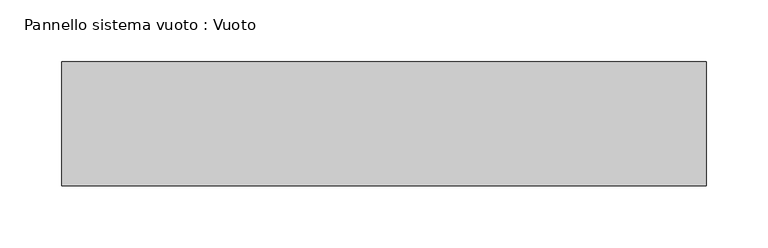
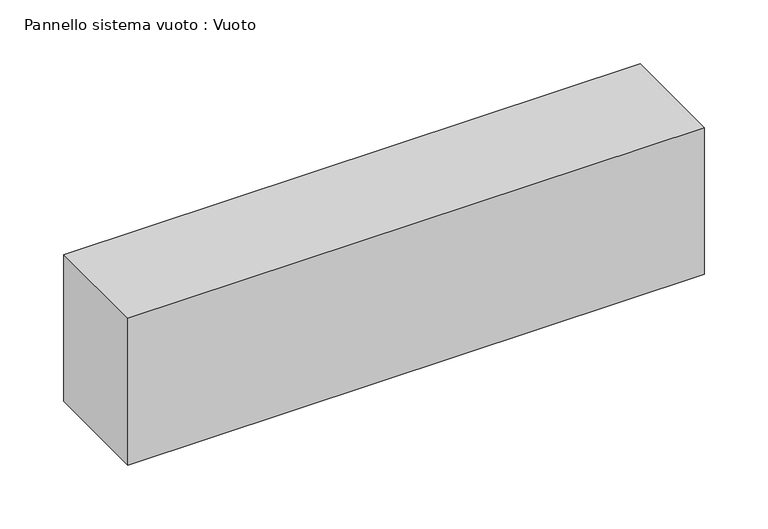
"""IFC4 building model written with IfcOpenShell, lengths in millimetres: plate geometry, Pannello sistema vuoto : Vuoto."""

from ifc_helpers import new_model, si_unit, origin, origin_with_axes, place, context, project, spatial, polyline, outline, extrude, source, transform, mapped, element, save


def pannello_sistema_vuoto_vuoto_581a4f55(model_context):
    return source(origin(), model_context, "Body", "SweptSolid", [
        extrude(outline(polyline([(260.0, 50.0), (-260.0, 50.0), (-260.0, 150.0), (260.0, 150.0), (260.0, 50.0)])), origin_with_axes(), (0.0, 0.0, 1.0), 140.0),
    ])


if __name__ == "__main__":
    model = new_model("IFC4")
    model_context = context("Model", 3, world=origin())
    ifc_project = project(units=[si_unit("LENGTHUNIT", "METRE", prefix="MILLI")], contexts=[model_context])
    site = spatial("IfcSite", under=ifc_project)
    building = spatial("IfcBuilding", under=site)
    placement = place(None, origin())
    pannello_sistema_vuoto_vuoto_shape = pannello_sistema_vuoto_vuoto_581a4f55(model_context)
    element("IfcPlate", 1, ObjectType="Pannello sistema vuoto : Vuoto", at=placement, inside=building, context=model_context, shape_type="MappedRepresentation", body=[
        mapped(pannello_sistema_vuoto_vuoto_shape, transform((0.0, 0.0, 0.0), x_axis=(1.0, 0.0, 0.0), y_axis=(0.0, 1.0, 0.0), z_axis=(0.0, 0.0, 1.0))),
    ])
    save(model, "model.ifc")
